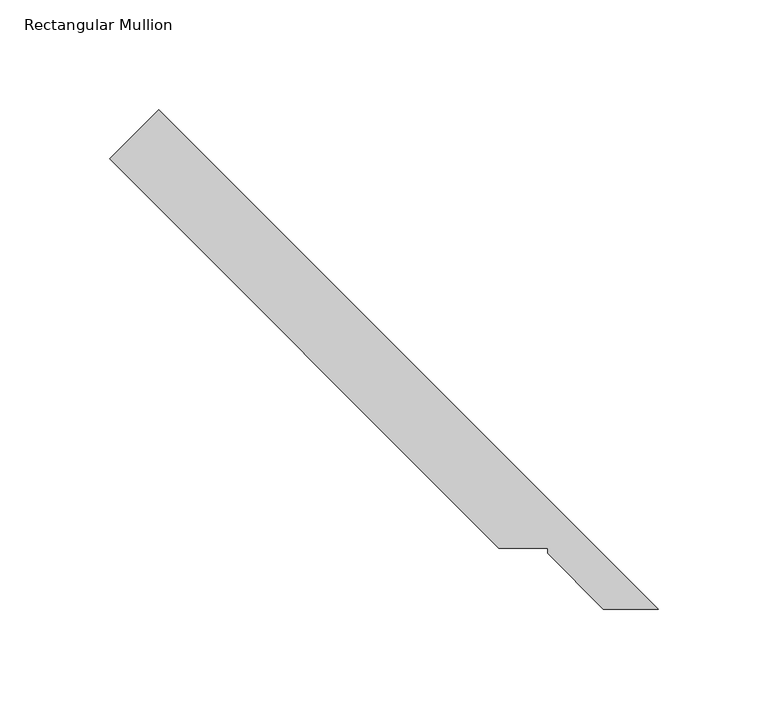
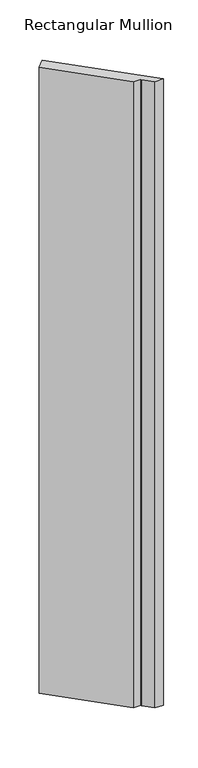
"""IFC4 building model written with IfcOpenShell, lengths in millimetres: member geometry, Rectangular Mullion."""

from ifc_helpers import new_model, si_unit, frame, origin, place, context, project, spatial, polyline, outline, extrude, source, transform, mapped, element, save


def rectangular_mullion_ffc05a0d(model_context):
    return source(origin(), model_context, "Body", "SweptSolid", [
        extrude(outline(polyline([(-269.1568908, 224.2556102), (-246.7062505, 246.7062505), (-18.8048309, 18.8048309), (-43.9660501, 18.8048309), (-69.3840142, 44.4217335), (-69.3840142, 46.7077335), (-91.6090141, 46.7077335), (-269.1568908, 224.2556102)])), frame((0.0, 0.0, -1965.3250001), z_axis=(0.0, 0.0, 1.0), x_axis=(1.0, 0.0, 0.0)), (0.0, 0.0, 1.0), 1965.3250001),
    ])


if __name__ == "__main__":
    model = new_model("IFC4")
    model_context = context("Model", 3, world=origin())
    ifc_project = project(units=[si_unit("LENGTHUNIT", "METRE", prefix="MILLI")], contexts=[model_context])
    site = spatial("IfcSite", under=ifc_project)
    building = spatial("IfcBuilding", under=site)
    placement = place(None, origin())
    rectangular_mullion_shape = rectangular_mullion_ffc05a0d(model_context)
    element("IfcMember", 1, ObjectType="Rectangular Mullion", at=placement, inside=building, context=model_context, shape_type="MappedRepresentation", body=[
        mapped(rectangular_mullion_shape, transform((0.0, 0.0, 0.0), x_axis=(1.0, 0.0, 0.0), y_axis=(0.0, 1.0, 0.0), z_axis=(0.0, 0.0, 1.0))),
    ])
    save(model, "model.ifc")
